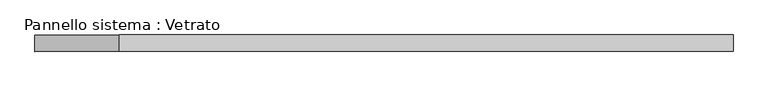
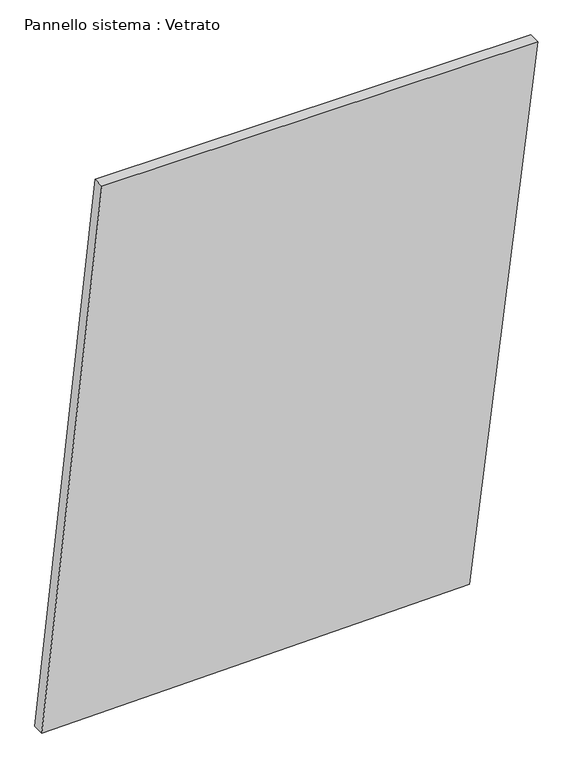
"""IFC4 building model written with IfcOpenShell, lengths in millimetres: plate geometry, Pannello sistema : Vetrato."""

from ifc_helpers import new_model, si_unit, frame, origin, place, context, project, spatial, polyline, outline, extrude, source, transform, mapped, element, save


def pannello_sistema_vetrato_2ff05258(model_context):
    return source(origin(), model_context, "Body", "SweptSolid", [
        extrude(outline(polyline([(0.0, -631.6771588), (19.079096, 458.1010387), (1417.8718467, 631.6771588), (1417.8718484, -478.6459064), (0.0, -631.6771588)])), frame((0.0, -15.0, 0.0), z_axis=(0.0, 1.0, 0.0), x_axis=(0.0, 0.0, 1.0)), (0.0, 0.0, 1.0), 30.0),
    ])


if __name__ == "__main__":
    model = new_model("IFC4")
    model_context = context("Model", 3, world=origin())
    ifc_project = project(units=[si_unit("LENGTHUNIT", "METRE", prefix="MILLI")], contexts=[model_context])
    site = spatial("IfcSite", under=ifc_project)
    building = spatial("IfcBuilding", under=site)
    placement = place(None, origin())
    pannello_sistema_vetrato_shape = pannello_sistema_vetrato_2ff05258(model_context)
    element("IfcPlate", 1, ObjectType="Pannello sistema : Vetrato", at=placement, inside=building, context=model_context, shape_type="MappedRepresentation", body=[
        mapped(pannello_sistema_vetrato_shape, transform((0.0, 0.0, 0.0), x_axis=(1.0, 0.0, 0.0), y_axis=(0.0, 1.0, 0.0), z_axis=(0.0, 0.0, 1.0))),
    ])
    save(model, "model.ifc")
